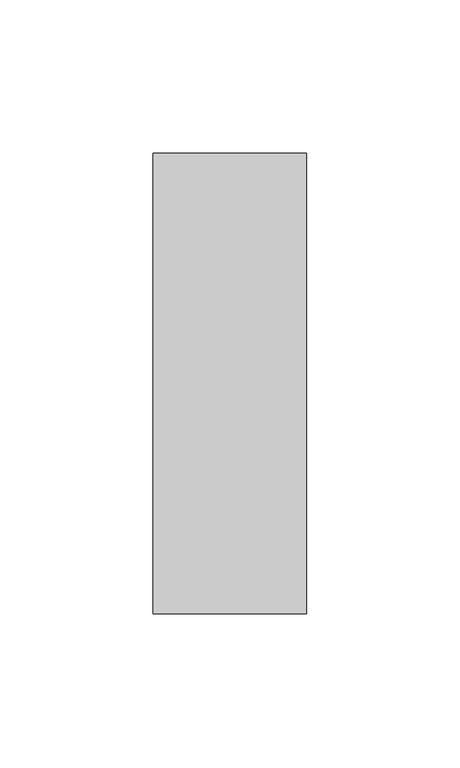
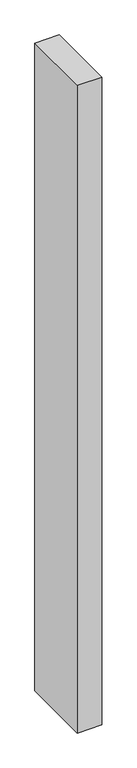
"""IFC4 building model written with IfcOpenShell, lengths in millimetres: member geometry."""

from ifc_helpers import new_model, si_unit, frame, origin, place, context, project, spatial, polyline, outline, extrude, source, transform, mapped, element, save


def member_0ac3c94c(model_context):
    return source(origin(), model_context, "Body", "SweptSolid", [
        extrude(outline(polyline([(0.0, 75.0), (0.0, -75.0), (-50.0, -75.0), (-50.0, 75.0), (0.0, 75.0)])), frame((0.0, 0.0, -1400.0), z_axis=(0.0, 0.0, 1.0), x_axis=(1.0, 0.0, 0.0)), (0.0, 0.0, 1.0), 1400.0),
    ])


if __name__ == "__main__":
    model = new_model("IFC4")
    model_context = context("Model", 3, world=origin())
    ifc_project = project(units=[si_unit("LENGTHUNIT", "METRE", prefix="MILLI")], contexts=[model_context])
    site = spatial("IfcSite", under=ifc_project)
    building = spatial("IfcBuilding", under=site)
    placement = place(None, origin())
    member_shape = member_0ac3c94c(model_context)
    element("IfcMember", 1, at=placement, inside=building, context=model_context, shape_type="MappedRepresentation", body=[
        mapped(member_shape, transform((0.0, 0.0, 0.0), x_axis=(1.0, 0.0, 0.0), y_axis=(0.0, 1.0, 0.0), z_axis=(0.0, 0.0, 1.0))),
    ])
    save(model, "model.ifc")
